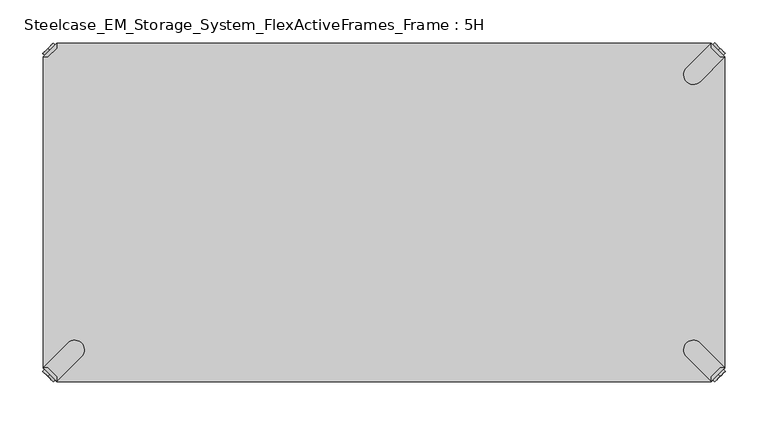
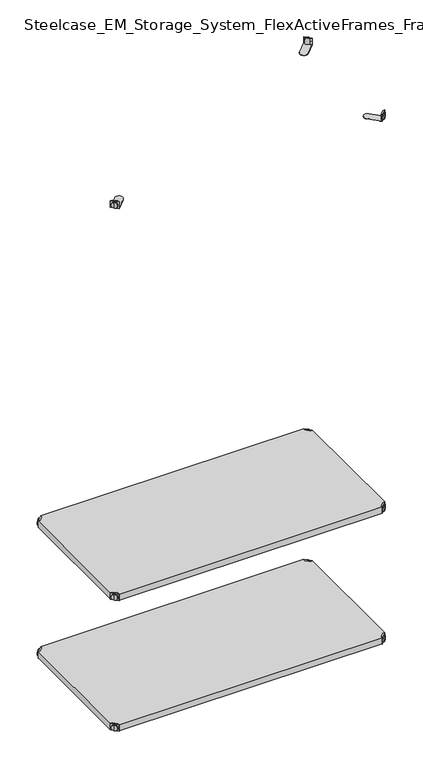
"""IFC4 building model written with IfcOpenShell, lengths in millimetres: furniture geometry, Steelcase_EM_Storage_System_FlexActiveFrames_Frame : 5H."""

from ifc_helpers import new_model, si_unit, frame, origin, place, context, project, spatial, polyline, circle_curve, outline, extrude, source, transform, mapped, element, save
from ifc_brep_helpers import plane_surface, cylinder_surface, advanced_brep


def steelcase_em_storage_system_flexactiveframes_frame_5h_55761683(model_context):
    return source(origin(), model_context, "Body", "SolidModel", [
        advanced_brep(
        [(789.0398449, -10.9601551, 498.5), (789.0398449, -10.9601551, 507.0), (789.0398449, -10.9601551, 515.5), (791.1611652, -8.8388348, 498.5), (791.1611652, -8.8388348, 515.5), (791.1611652, -8.8388348, 507.0)],
        [
            (0, 1),
            (1, 2),
            (2, 0, circle_curve(frame((789.0398449, -10.9601551, 507.0), z_axis=(-0.7071067811865556, -0.7071067811865395, 0.0), x_axis=(0.0, 0.0, 1.0)), 8.5)),
            (0, 2, circle_curve(frame((789.0398449, -10.9601551, 507.0), z_axis=(-0.7071067811865556, -0.7071067811865395, 0.0), x_axis=(0.0, 0.0, 1.0)), 8.5)),
            (3, 0),
            (2, 4),
            (4, 3, circle_curve(frame((791.1611652, -8.8388348, 507.0), z_axis=(-0.7071067811865556, -0.7071067811865395, 0.0), x_axis=(0.0, 0.0, 1.0)), 8.5)),
            (3, 4, circle_curve(frame((791.1611652, -8.8388348, 507.0), z_axis=(-0.7071067811865556, -0.7071067811865395, 0.0), x_axis=(0.0, 0.0, 1.0)), 8.5)),
            (5, 3),
            (4, 5),
        ],
        [
            plane_surface(frame((789.0398449, -10.9601551, 507.0), z_axis=(-0.7071067811865552, -0.7071067811865399, 0.0), x_axis=(0.0, 0.0, 1.0))),
            cylinder_surface(frame((791.1611652, -8.8388348, 507.0), z_axis=(0.7071067811865556, 0.7071067811865395, 0.0), x_axis=(0.0, 0.0, 1.0)), 8.5),
            plane_surface(frame((791.1611652, -8.8388348, 507.0), z_axis=(0.7071067811865552, 0.7071067811865399, 0.0), x_axis=(0.0, 0.0, 1.0))),
        ],
        [
            (0, [[1, 2, 3]]),
            (0, [[-2, -1, 4]]),
            (1, [[5, -3, 6, 7]]),
            (1, [[-6, -4, -5, 8]]),
            (2, [[9, -7, 10]]),
            (2, [[-10, -8, -9]]),
        ],
    ),
        advanced_brep(
        [(781.0796898, -3.0, 517.0), (781.0796898, -8.6568542, 517.0), (791.3431458, -18.9203102, 517.0), (797.0, -18.9203102, 517.0), (797.0, -18.9203102, 498.0), (797.0, -18.9203102, 497.0), (781.0796898, -3.0, 497.0), (781.0796898, -3.0, 498.0), (781.0796898, -8.6568542, 498.0), (791.3431458, -18.9203102, 498.0), (752.2702923, -31.8093975, 498.0), (768.1906025, -47.7297077, 498.0), (768.1906025, -47.7297077, 497.0), (752.2702923, -31.8093975, 497.0)],
        [
            (0, 1),
            (1, 2),
            (2, 3),
            (3, 0),
            (3, 4),
            (4, 5),
            (5, 6),
            (6, 7),
            (7, 0),
            (1, 8),
            (8, 9),
            (9, 2),
            (7, 8),
            (9, 4),
            (7, 10),
            (10, 11, circle_curve(frame((760.2304474, -39.7695526, 498.0), z_axis=(0.0, 0.0, 1.0), x_axis=(-1.0, 0.0, 0.0)), 11.2573593)),
            (11, 4),
            (5, 12),
            (12, 13, circle_curve(frame((760.2304474, -39.7695526, 497.0), z_axis=(0.0, 0.0, -1.0), x_axis=(-1.0, 0.0, 0.0)), 11.2573593)),
            (13, 6),
            (11, 12),
            (10, 13),
        ],
        [
            plane_surface(frame((838.8756299, -60.7959401, 517.0), z_axis=(0.0, 0.0, 1.0000000000000002), x_axis=(0.7071067811865465, -0.7071067811865487, 0.0))),
            plane_surface(frame((781.0796898, -3.0, 517.0), z_axis=(0.7071067811865487, 0.7071067811865465, 0.0), x_axis=(0.0, 0.0, -1.0))),
            plane_surface(frame((791.3431458, -18.9203102, 517.0), z_axis=(-0.7071067811865573, -0.7071067811865377, 0.0), x_axis=(0.0, 0.0, -1.0))),
            plane_surface(frame((781.0796898, -8.6568542, 517.0), z_axis=(-1.0, 0.0, 0.0), x_axis=(0.0, 0.0, -1.0))),
            plane_surface(frame((797.0, -18.9203102, 517.0), z_axis=(0.0, -1.0, 0.0), x_axis=(0.0, 0.0, -1.0))),
            plane_surface(frame((797.0, -18.9203102, 498.0), z_axis=(0.0, 0.0, 1.0), x_axis=(0.7071067811865392, -0.7071067811865558, 0.0))),
            plane_surface(frame((797.0, -18.9203102, 497.0), z_axis=(0.0, 0.0, -1.0), x_axis=(-0.7071067811865392, 0.7071067811865558, 0.0))),
            plane_surface(frame((797.0, -18.9203102, 498.0), z_axis=(0.7071067811865399, -0.7071067811865552, 0.0), x_axis=(0.0, 0.0, -1.0))),
            cylinder_surface(frame((760.2304474, -39.7695526, 497.0), z_axis=(0.0, 0.0, 1.0), x_axis=(-1.0, 0.0, 0.0)), 11.2573593),
            plane_surface(frame((752.2702923, -31.8093975, 498.0), z_axis=(-0.7071067811865388, 0.7071067811865563, 0.0), x_axis=(0.0, 0.0, -1.0))),
        ],
        [
            (0, [[1, 2, 3, 4]]),
            (1, [[5, 6, 7, 8, 9, -4]]),
            (2, [[10, 11, 12, -2]]),
            (3, [[-9, 13, -10, -1]]),
            (4, [[-12, 14, -5, -3]]),
            (5, [[-14, -11, -13, 15, 16, 17]]),
            (6, [[-7, 18, 19, 20]]),
            (7, [[21, -18, -6, -17]]),
            (8, [[22, -19, -21, -16]]),
            (9, [[-8, -20, -22, -15]]),
        ],
    ),
        advanced_brep(
        [(789.0398449, -389.0398449, 498.5), (789.0398449, -389.0398449, 515.5), (789.0398449, -389.0398449, 507.0), (791.1611652, -391.1611652, 498.5), (791.1611652, -391.1611652, 515.5), (791.1611652, -391.1611652, 507.0)],
        [
            (0, 1, circle_curve(frame((789.0398449, -389.0398449, 507.0), z_axis=(-0.7071067811865509, 0.7071067811865441, 0.0), x_axis=(0.0, 0.0, 1.0)), 8.5)),
            (1, 2),
            (2, 0),
            (1, 0, circle_curve(frame((789.0398449, -389.0398449, 507.0), z_axis=(-0.7071067811865509, 0.7071067811865441, 0.0), x_axis=(0.0, 0.0, 1.0)), 8.5)),
            (3, 4, circle_curve(frame((791.1611652, -391.1611652, 507.0), z_axis=(-0.7071067811865509, 0.7071067811865441, 0.0), x_axis=(0.0, 0.0, 1.0)), 8.5)),
            (4, 1),
            (0, 3),
            (4, 3, circle_curve(frame((791.1611652, -391.1611652, 507.0), z_axis=(-0.7071067811865509, 0.7071067811865441, 0.0), x_axis=(0.0, 0.0, 1.0)), 8.5)),
            (5, 4),
            (3, 5),
        ],
        [
            plane_surface(frame((789.0398449, -389.0398449, 507.0), z_axis=(-0.7071067811865506, 0.7071067811865446, 0.0), x_axis=(0.0, 0.0, 1.0))),
            cylinder_surface(frame((791.1611652, -391.1611652, 507.0), z_axis=(0.7071067811865509, -0.7071067811865441, 0.0), x_axis=(0.0, 0.0, 1.0)), 8.5),
            plane_surface(frame((791.1611652, -391.1611652, 507.0), z_axis=(0.7071067811865506, -0.7071067811865446, 0.0), x_axis=(0.0, 0.0, 1.0))),
        ],
        [
            (0, [[1, 2, 3]]),
            (0, [[4, -3, -2]]),
            (1, [[5, 6, -1, 7]]),
            (1, [[8, -7, -4, -6]]),
            (2, [[9, -5, 10]]),
            (2, [[-10, -8, -9]]),
        ],
    ),
        advanced_brep(
        [(781.0796898, -397.0, 517.0), (797.0, -381.0796898, 517.0), (791.3431458, -381.0796898, 517.0), (781.0796898, -391.3431458, 517.0), (781.0796898, -397.0, 498.0), (781.0796898, -397.0, 497.0), (797.0, -381.0796898, 497.0), (797.0, -381.0796898, 498.0), (791.3431458, -381.0796898, 498.0), (781.0796898, -391.3431458, 498.0), (768.1906025, -352.2702923, 498.0), (752.2702923, -368.1906025, 498.0), (752.2702923, -368.1906025, 497.0), (768.1906025, -352.2702923, 497.0)],
        [
            (0, 1),
            (1, 2),
            (2, 3),
            (3, 0),
            (0, 4),
            (4, 5),
            (5, 6),
            (6, 7),
            (7, 1),
            (2, 8),
            (8, 9),
            (9, 3),
            (9, 4),
            (7, 8),
            (7, 10),
            (10, 11, circle_curve(frame((760.2304474, -360.2304474, 498.0), z_axis=(0.0, 0.0, 1.0), x_axis=(-1.0, 0.0, 0.0)), 11.2573593)),
            (11, 4),
            (5, 12),
            (12, 13, circle_curve(frame((760.2304474, -360.2304474, 497.0), z_axis=(0.0, 0.0, -1.0), x_axis=(-1.0, 0.0, 0.0)), 11.2573593)),
            (13, 6),
            (13, 10),
            (12, 11),
        ],
        [
            plane_surface(frame((838.8756299, -339.2040599, 517.0), z_axis=(0.0, 0.0, 1.0000000000000002), x_axis=(0.7071067811865511, 0.707106781186544, 0.0))),
            plane_surface(frame((781.0796898, -397.0, 517.0), z_axis=(0.707106781186544, -0.7071067811865511, 0.0), x_axis=(0.0, 0.0, -1.0))),
            plane_surface(frame((791.3431458, -381.0796898, 517.0), z_axis=(-0.7071067811865527, 0.7071067811865424, 0.0), x_axis=(0.0, 0.0, -1.0))),
            plane_surface(frame((781.0796898, -391.3431458, 517.0), z_axis=(-1.0, 0.0, 0.0), x_axis=(0.0, 0.0, -1.0))),
            plane_surface(frame((797.0, -381.0796898, 517.0), z_axis=(0.0, 1.0, 0.0), x_axis=(0.0, 0.0, -1.0))),
            plane_surface(frame((797.0, -381.0796898, 498.0), z_axis=(0.0, 0.0, 1.0), x_axis=(0.7071067811865439, 0.7071067811865511, 0.0))),
            plane_surface(frame((797.0, -381.0796898, 497.0), z_axis=(0.0, 0.0, -1.0), x_axis=(-0.7071067811865439, -0.7071067811865511, 0.0))),
            plane_surface(frame((797.0, -381.0796898, 498.0), z_axis=(0.7071067811865446, 0.7071067811865506, 0.0), x_axis=(0.0, 0.0, -1.0))),
            cylinder_surface(frame((760.2304474, -360.2304474, 497.0), z_axis=(0.0, 0.0, 1.0), x_axis=(-1.0, 0.0, 0.0)), 11.2573593),
            plane_surface(frame((752.2702923, -368.1906025, 498.0), z_axis=(-0.7071067811865435, -0.7071067811865517, 0.0), x_axis=(0.0, 0.0, -1.0))),
        ],
        [
            (0, [[1, 2, 3, 4]]),
            (1, [[-1, 5, 6, 7, 8, 9]]),
            (2, [[-3, 10, 11, 12]]),
            (3, [[-4, -12, 13, -5]]),
            (4, [[-2, -9, 14, -10]]),
            (5, [[15, 16, 17, -13, -11, -14]]),
            (6, [[18, 19, 20, -7]]),
            (7, [[-15, -8, -20, 21]]),
            (8, [[-16, -21, -19, 22]]),
            (9, [[-17, -22, -18, -6]]),
        ],
    ),
        advanced_brep(
        [(10.9601551, -389.0398449, 498.5), (10.9601551, -389.0398449, 507.0), (10.9601551, -389.0398449, 515.5), (8.8388348, -391.1611652, 498.5), (8.8388348, -391.1611652, 515.5), (8.8388348, -391.1611652, 507.0)],
        [
            (0, 1),
            (1, 2),
            (2, 0, circle_curve(frame((10.9601551, -389.0398449, 507.0), z_axis=(0.7071067811865509, 0.7071067811865441, 0.0), x_axis=(0.0, 0.0, 1.0)), 8.5)),
            (0, 2, circle_curve(frame((10.9601551, -389.0398449, 507.0), z_axis=(0.7071067811865509, 0.7071067811865441, 0.0), x_axis=(0.0, 0.0, 1.0)), 8.5)),
            (3, 0),
            (2, 4),
            (4, 3, circle_curve(frame((8.8388348, -391.1611652, 507.0), z_axis=(0.7071067811865509, 0.7071067811865441, 0.0), x_axis=(0.0, 0.0, 1.0)), 8.5)),
            (3, 4, circle_curve(frame((8.8388348, -391.1611652, 507.0), z_axis=(0.7071067811865509, 0.7071067811865441, 0.0), x_axis=(0.0, 0.0, 1.0)), 8.5)),
            (5, 3),
            (4, 5),
        ],
        [
            plane_surface(frame((10.9601551, -389.0398449, 507.0), z_axis=(0.7071067811865506, 0.7071067811865446, 0.0), x_axis=(0.0, 0.0, 1.0))),
            cylinder_surface(frame((8.8388348, -391.1611652, 507.0), z_axis=(-0.7071067811865509, -0.7071067811865441, 0.0), x_axis=(0.0, 0.0, 1.0)), 8.5),
            plane_surface(frame((8.8388348, -391.1611652, 507.0), z_axis=(-0.7071067811865506, -0.7071067811865446, 0.0), x_axis=(0.0, 0.0, 1.0))),
        ],
        [
            (0, [[1, 2, 3]]),
            (0, [[-2, -1, 4]]),
            (1, [[5, -3, 6, 7]]),
            (1, [[-6, -4, -5, 8]]),
            (2, [[9, -7, 10]]),
            (2, [[-10, -8, -9]]),
        ],
    ),
        advanced_brep(
        [(18.9203102, -397.0, 517.0), (18.9203102, -391.3431458, 517.0), (8.6568542, -381.0796898, 517.0), (3.0, -381.0796898, 517.0), (3.0, -381.0796898, 498.0), (3.0, -381.0796898, 497.0), (18.9203102, -397.0, 497.0), (18.9203102, -397.0, 498.0), (18.9203102, -391.3431458, 498.0), (8.6568542, -381.0796898, 498.0), (47.7297077, -368.1906025, 498.0), (31.8093975, -352.2702923, 498.0), (31.8093975, -352.2702923, 497.0), (47.7297077, -368.1906025, 497.0)],
        [
            (0, 1),
            (1, 2),
            (2, 3),
            (3, 0),
            (3, 4),
            (4, 5),
            (5, 6),
            (6, 7),
            (7, 0),
            (1, 8),
            (8, 9),
            (9, 2),
            (7, 8),
            (9, 4),
            (7, 10),
            (10, 11, circle_curve(frame((39.7695526, -360.2304474, 498.0), z_axis=(0.0, 0.0, 1.0), x_axis=(1.0, 0.0, 0.0)), 11.2573593)),
            (11, 4),
            (5, 12),
            (12, 13, circle_curve(frame((39.7695526, -360.2304474, 497.0), z_axis=(0.0, 0.0, -1.0), x_axis=(1.0, 0.0, 0.0)), 11.2573593)),
            (13, 6),
            (11, 12),
            (10, 13),
        ],
        [
            plane_surface(frame((-38.8756299, -339.2040599, 517.0), z_axis=(0.0, 0.0, 1.0000000000000002), x_axis=(-0.7071067811865511, 0.707106781186544, 0.0))),
            plane_surface(frame((18.9203102, -397.0, 517.0), z_axis=(-0.707106781186544, -0.7071067811865511, 0.0), x_axis=(0.0, 0.0, -1.0))),
            plane_surface(frame((8.6568542, -381.0796898, 517.0), z_axis=(0.7071067811865527, 0.7071067811865424, 0.0), x_axis=(0.0, 0.0, -1.0))),
            plane_surface(frame((18.9203102, -391.3431458, 517.0), z_axis=(1.0, 0.0, 0.0), x_axis=(0.0, 0.0, -1.0))),
            plane_surface(frame((3.0, -381.0796898, 517.0), z_axis=(0.0, 1.0, 0.0), x_axis=(0.0, 0.0, -1.0))),
            plane_surface(frame((3.0, -381.0796898, 498.0), z_axis=(0.0, 0.0, 1.0), x_axis=(-0.7071067811865439, 0.7071067811865511, 0.0))),
            plane_surface(frame((3.0, -381.0796898, 497.0), z_axis=(0.0, 0.0, -1.0), x_axis=(0.7071067811865439, -0.7071067811865511, 0.0))),
            plane_surface(frame((3.0, -381.0796898, 498.0), z_axis=(-0.7071067811865446, 0.7071067811865506, 0.0), x_axis=(0.0, 0.0, -1.0))),
            cylinder_surface(frame((39.7695526, -360.2304474, 497.0), z_axis=(0.0, 0.0, 1.0), x_axis=(1.0, 0.0, 0.0)), 11.2573593),
            plane_surface(frame((47.7297077, -368.1906025, 498.0), z_axis=(0.7071067811865435, -0.7071067811865517, 0.0), x_axis=(0.0, 0.0, -1.0))),
        ],
        [
            (0, [[1, 2, 3, 4]]),
            (1, [[5, 6, 7, 8, 9, -4]]),
            (2, [[10, 11, 12, -2]]),
            (3, [[-9, 13, -10, -1]]),
            (4, [[-12, 14, -5, -3]]),
            (5, [[-14, -11, -13, 15, 16, 17]]),
            (6, [[-7, 18, 19, 20]]),
            (7, [[21, -18, -6, -17]]),
            (8, [[22, -19, -21, -16]]),
            (9, [[-8, -20, -22, -15]]),
        ],
    ),
        advanced_brep(
        [(10.9601551, -10.9601551, 498.5), (10.9601551, -10.9601551, 515.5), (10.9601551, -10.9601551, 507.0), (8.8388348, -8.8388348, 498.5), (8.8388348, -8.8388348, 515.5), (8.8388348, -8.8388348, 507.0)],
        [
            (0, 1, circle_curve(frame((10.9601551, -10.9601551, 507.0), z_axis=(0.7071067811865464, -0.7071067811865487, 0.0), x_axis=(0.0, 0.0, 1.0)), 8.5)),
            (1, 2),
            (2, 0),
            (1, 0, circle_curve(frame((10.9601551, -10.9601551, 507.0), z_axis=(0.7071067811865464, -0.7071067811865487, 0.0), x_axis=(0.0, 0.0, 1.0)), 8.5)),
            (3, 4, circle_curve(frame((8.8388348, -8.8388348, 507.0), z_axis=(0.7071067811865464, -0.7071067811865487, 0.0), x_axis=(0.0, 0.0, 1.0)), 8.5)),
            (4, 1),
            (0, 3),
            (4, 3, circle_curve(frame((8.8388348, -8.8388348, 507.0), z_axis=(0.7071067811865464, -0.7071067811865487, 0.0), x_axis=(0.0, 0.0, 1.0)), 8.5)),
            (5, 4),
            (3, 5),
        ],
        [
            plane_surface(frame((10.9601551, -10.9601551, 507.0), z_axis=(0.707106781186546, -0.7071067811865491, 0.0), x_axis=(0.0, 0.0, 1.0))),
            cylinder_surface(frame((8.8388348, -8.8388348, 507.0), z_axis=(-0.7071067811865464, 0.7071067811865487, 0.0), x_axis=(0.0, 0.0, 1.0)), 8.5),
            plane_surface(frame((8.8388348, -8.8388348, 507.0), z_axis=(-0.707106781186546, 0.7071067811865491, 0.0), x_axis=(0.0, 0.0, 1.0))),
        ],
        [
            (0, [[1, 2, 3]]),
            (0, [[4, -3, -2]]),
            (1, [[5, 6, -1, 7]]),
            (1, [[8, -7, -4, -6]]),
            (2, [[9, -5, 10]]),
            (2, [[-10, -8, -9]]),
        ],
    ),
        advanced_brep(
        [(18.9203102, -3.0, 517.0), (3.0, -18.9203102, 517.0), (8.6568542, -18.9203102, 517.0), (18.9203102, -8.6568542, 517.0), (18.9203102, -3.0, 498.0), (18.9203102, -3.0, 497.0), (3.0, -18.9203102, 497.0), (3.0, -18.9203102, 498.0), (8.6568542, -18.9203102, 498.0), (18.9203102, -8.6568542, 498.0), (31.8093975, -47.7297077, 498.0), (47.7297077, -31.8093975, 498.0), (47.7297077, -31.8093975, 497.0), (31.8093975, -47.7297077, 497.0)],
        [
            (0, 1),
            (1, 2),
            (2, 3),
            (3, 0),
            (0, 4),
            (4, 5),
            (5, 6),
            (6, 7),
            (7, 1),
            (2, 8),
            (8, 9),
            (9, 3),
            (9, 4),
            (7, 8),
            (7, 10),
            (10, 11, circle_curve(frame((39.7695526, -39.7695526, 498.0), z_axis=(0.0, 0.0, 1.0), x_axis=(1.0, 0.0, 0.0)), 11.2573593)),
            (11, 4),
            (5, 12),
            (12, 13, circle_curve(frame((39.7695526, -39.7695526, 497.0), z_axis=(0.0, 0.0, -1.0), x_axis=(1.0, 0.0, 0.0)), 11.2573593)),
            (13, 6),
            (13, 10),
            (12, 11),
        ],
        [
            plane_surface(frame((-38.8756299, -60.7959401, 517.0), z_axis=(0.0, 0.0, 1.0000000000000002), x_axis=(-0.7071067811865557, -0.7071067811865395, 0.0))),
            plane_surface(frame((18.9203102, -3.0, 517.0), z_axis=(-0.7071067811865395, 0.7071067811865557, 0.0), x_axis=(0.0, 0.0, -1.0))),
            plane_surface(frame((8.6568542, -18.9203102, 517.0), z_axis=(0.7071067811865481, -0.7071067811865469, 0.0), x_axis=(0.0, 0.0, -1.0))),
            plane_surface(frame((18.9203102, -8.6568542, 517.0), z_axis=(1.0, 0.0, 0.0), x_axis=(0.0, 0.0, -1.0))),
            plane_surface(frame((3.0, -18.9203102, 517.0), z_axis=(0.0, -1.0, 0.0), x_axis=(0.0, 0.0, -1.0))),
            plane_surface(frame((3.0, -18.9203102, 498.0), z_axis=(0.0, 0.0, 1.0), x_axis=(-0.7071067811865485, -0.7071067811865466, 0.0))),
            plane_surface(frame((3.0, -18.9203102, 497.0), z_axis=(0.0, 0.0, -1.0), x_axis=(0.7071067811865485, 0.7071067811865466, 0.0))),
            plane_surface(frame((3.0, -18.9203102, 498.0), z_axis=(-0.7071067811865491, -0.707106781186546, 0.0), x_axis=(0.0, 0.0, -1.0))),
            cylinder_surface(frame((39.7695526, -39.7695526, 497.0), z_axis=(0.0, 0.0, 1.0), x_axis=(1.0, 0.0, 0.0)), 11.2573593),
            plane_surface(frame((47.7297077, -31.8093975, 498.0), z_axis=(0.707106781186548, 0.7071067811865471, 0.0), x_axis=(0.0, 0.0, -1.0))),
        ],
        [
            (0, [[1, 2, 3, 4]]),
            (1, [[-1, 5, 6, 7, 8, 9]]),
            (2, [[-3, 10, 11, 12]]),
            (3, [[-4, -12, 13, -5]]),
            (4, [[-2, -9, 14, -10]]),
            (5, [[15, 16, 17, -13, -11, -14]]),
            (6, [[18, 19, 20, -7]]),
            (7, [[-15, -8, -20, 21]]),
            (8, [[-16, -21, -19, 22]]),
            (9, [[-17, -22, -18, -6]]),
        ],
    ),
        extrude(outline(polyline([(781.0796898, -3.0), (781.0796898, -8.6568542), (791.3431458, -18.9203102), (797.0, -18.9203102), (797.0, -381.0796898), (791.3431458, -381.0796898), (781.0796898, -391.3431458), (781.0796898, -397.0), (18.9203102, -397.0), (18.9203102, -391.3431458), (8.6568542, -381.0796898), (3.0, -381.0796898), (3.0, -18.9203102), (8.6568542, -18.9203102), (18.9203102, -8.6568542), (18.9203102, -3.0), (781.0796898, -3.0)])), frame((0.0, 0.0, 498.0), z_axis=(0.0, 0.0, 1.0), x_axis=(1.0, 0.0, 0.0)), (0.0, 0.0, 1.0), 19.0),
        advanced_brep(
        [(789.0398449, -10.9601551, 898.5), (789.0398449, -10.9601551, 907.0), (789.0398449, -10.9601551, 915.5), (791.1611652, -8.8388348, 898.5), (791.1611652, -8.8388348, 915.5), (791.1611652, -8.8388348, 907.0)],
        [
            (0, 1),
            (1, 2),
            (2, 0, circle_curve(frame((789.0398449, -10.9601551, 907.0), z_axis=(-0.7071067811865556, -0.7071067811865395, 0.0), x_axis=(0.0, 0.0, 1.0)), 8.5)),
            (0, 2, circle_curve(frame((789.0398449, -10.9601551, 907.0), z_axis=(-0.7071067811865556, -0.7071067811865395, 0.0), x_axis=(0.0, 0.0, 1.0)), 8.5)),
            (3, 0),
            (2, 4),
            (4, 3, circle_curve(frame((791.1611652, -8.8388348, 907.0), z_axis=(-0.7071067811865556, -0.7071067811865395, 0.0), x_axis=(0.0, 0.0, 1.0)), 8.5)),
            (3, 4, circle_curve(frame((791.1611652, -8.8388348, 907.0), z_axis=(-0.7071067811865556, -0.7071067811865395, 0.0), x_axis=(0.0, 0.0, 1.0)), 8.5)),
            (5, 3),
            (4, 5),
        ],
        [
            plane_surface(frame((789.0398449, -10.9601551, 907.0), z_axis=(-0.7071067811865552, -0.7071067811865399, 0.0), x_axis=(0.0, 0.0, 1.0))),
            cylinder_surface(frame((791.1611652, -8.8388348, 907.0), z_axis=(0.7071067811865556, 0.7071067811865395, 0.0), x_axis=(0.0, 0.0, 1.0)), 8.5),
            plane_surface(frame((791.1611652, -8.8388348, 907.0), z_axis=(0.7071067811865552, 0.7071067811865399, 0.0), x_axis=(0.0, 0.0, 1.0))),
        ],
        [
            (0, [[1, 2, 3]]),
            (0, [[-2, -1, 4]]),
            (1, [[5, -3, 6, 7]]),
            (1, [[-6, -4, -5, 8]]),
            (2, [[9, -7, 10]]),
            (2, [[-10, -8, -9]]),
        ],
    ),
        advanced_brep(
        [(781.0796898, -3.0, 917.0), (781.0796898, -8.6568542, 917.0), (791.3431458, -18.9203102, 917.0), (797.0, -18.9203102, 917.0), (797.0, -18.9203102, 898.0), (797.0, -18.9203102, 897.0), (781.0796898, -3.0, 897.0), (781.0796898, -3.0, 898.0), (781.0796898, -8.6568542, 898.0), (791.3431458, -18.9203102, 898.0), (752.2702923, -31.8093975, 898.0), (768.1906025, -47.7297077, 898.0), (768.1906025, -47.7297077, 897.0), (752.2702923, -31.8093975, 897.0)],
        [
            (0, 1),
            (1, 2),
            (2, 3),
            (3, 0),
            (3, 4),
            (4, 5),
            (5, 6),
            (6, 7),
            (7, 0),
            (1, 8),
            (8, 9),
            (9, 2),
            (7, 8),
            (9, 4),
            (7, 10),
            (10, 11, circle_curve(frame((760.2304474, -39.7695526, 898.0), z_axis=(0.0, 0.0, 1.0), x_axis=(-1.0, 0.0, 0.0)), 11.2573593)),
            (11, 4),
            (5, 12),
            (12, 13, circle_curve(frame((760.2304474, -39.7695526, 897.0), z_axis=(0.0, 0.0, -1.0), x_axis=(-1.0, 0.0, 0.0)), 11.2573593)),
            (13, 6),
            (11, 12),
            (10, 13),
        ],
        [
            plane_surface(frame((838.8756299, -60.7959401, 917.0), z_axis=(0.0, 0.0, 1.0000000000000002), x_axis=(0.7071067811865465, -0.7071067811865487, 0.0))),
            plane_surface(frame((781.0796898, -3.0, 917.0), z_axis=(0.7071067811865487, 0.7071067811865465, 0.0), x_axis=(0.0, 0.0, -1.0))),
            plane_surface(frame((791.3431458, -18.9203102, 917.0), z_axis=(-0.7071067811865573, -0.7071067811865377, 0.0), x_axis=(0.0, 0.0, -1.0))),
            plane_surface(frame((781.0796898, -8.6568542, 917.0), z_axis=(-1.0, 0.0, 0.0), x_axis=(0.0, 0.0, -1.0))),
            plane_surface(frame((797.0, -18.9203102, 917.0), z_axis=(0.0, -1.0, 0.0), x_axis=(0.0, 0.0, -1.0))),
            plane_surface(frame((797.0, -18.9203102, 898.0), z_axis=(0.0, 0.0, 1.0), x_axis=(0.7071067811865392, -0.7071067811865558, 0.0))),
            plane_surface(frame((797.0, -18.9203102, 897.0), z_axis=(0.0, 0.0, -1.0), x_axis=(-0.7071067811865392, 0.7071067811865558, 0.0))),
            plane_surface(frame((797.0, -18.9203102, 898.0), z_axis=(0.7071067811865399, -0.7071067811865552, 0.0), x_axis=(0.0, 0.0, -1.0))),
            cylinder_surface(frame((760.2304474, -39.7695526, 897.0), z_axis=(0.0, 0.0, 1.0), x_axis=(-1.0, 0.0, 0.0)), 11.2573593),
            plane_surface(frame((752.2702923, -31.8093975, 898.0), z_axis=(-0.7071067811865388, 0.7071067811865563, 0.0), x_axis=(0.0, 0.0, -1.0))),
        ],
        [
            (0, [[1, 2, 3, 4]]),
            (1, [[5, 6, 7, 8, 9, -4]]),
            (2, [[10, 11, 12, -2]]),
            (3, [[-9, 13, -10, -1]]),
            (4, [[-12, 14, -5, -3]]),
            (5, [[-14, -11, -13, 15, 16, 17]]),
            (6, [[-7, 18, 19, 20]]),
            (7, [[21, -18, -6, -17]]),
            (8, [[22, -19, -21, -16]]),
            (9, [[-8, -20, -22, -15]]),
        ],
    ),
        advanced_brep(
        [(789.0398449, -389.0398449, 898.5), (789.0398449, -389.0398449, 915.5), (789.0398449, -389.0398449, 907.0), (791.1611652, -391.1611652, 898.5), (791.1611652, -391.1611652, 915.5), (791.1611652, -391.1611652, 907.0)],
        [
            (0, 1, circle_curve(frame((789.0398449, -389.0398449, 907.0), z_axis=(-0.7071067811865509, 0.7071067811865441, 0.0), x_axis=(0.0, 0.0, 1.0)), 8.5)),
            (1, 2),
            (2, 0),
            (1, 0, circle_curve(frame((789.0398449, -389.0398449, 907.0), z_axis=(-0.7071067811865509, 0.7071067811865441, 0.0), x_axis=(0.0, 0.0, 1.0)), 8.5)),
            (3, 4, circle_curve(frame((791.1611652, -391.1611652, 907.0), z_axis=(-0.7071067811865509, 0.7071067811865441, 0.0), x_axis=(0.0, 0.0, 1.0)), 8.5)),
            (4, 1),
            (0, 3),
            (4, 3, circle_curve(frame((791.1611652, -391.1611652, 907.0), z_axis=(-0.7071067811865509, 0.7071067811865441, 0.0), x_axis=(0.0, 0.0, 1.0)), 8.5)),
            (5, 4),
            (3, 5),
        ],
        [
            plane_surface(frame((789.0398449, -389.0398449, 907.0), z_axis=(-0.7071067811865506, 0.7071067811865446, 0.0), x_axis=(0.0, 0.0, 1.0))),
            cylinder_surface(frame((791.1611652, -391.1611652, 907.0), z_axis=(0.7071067811865509, -0.7071067811865441, 0.0), x_axis=(0.0, 0.0, 1.0)), 8.5),
            plane_surface(frame((791.1611652, -391.1611652, 907.0), z_axis=(0.7071067811865506, -0.7071067811865446, 0.0), x_axis=(0.0, 0.0, 1.0))),
        ],
        [
            (0, [[1, 2, 3]]),
            (0, [[4, -3, -2]]),
            (1, [[5, 6, -1, 7]]),
            (1, [[8, -7, -4, -6]]),
            (2, [[9, -5, 10]]),
            (2, [[-10, -8, -9]]),
        ],
    ),
        advanced_brep(
        [(781.0796898, -397.0, 917.0), (797.0, -381.0796898, 917.0), (791.3431458, -381.0796898, 917.0), (781.0796898, -391.3431458, 917.0), (781.0796898, -397.0, 898.0), (781.0796898, -397.0, 897.0), (797.0, -381.0796898, 897.0), (797.0, -381.0796898, 898.0), (791.3431458, -381.0796898, 898.0), (781.0796898, -391.3431458, 898.0), (768.1906025, -352.2702923, 898.0), (752.2702923, -368.1906025, 898.0), (752.2702923, -368.1906025, 897.0), (768.1906025, -352.2702923, 897.0)],
        [
            (0, 1),
            (1, 2),
            (2, 3),
            (3, 0),
            (0, 4),
            (4, 5),
            (5, 6),
            (6, 7),
            (7, 1),
            (2, 8),
            (8, 9),
            (9, 3),
            (9, 4),
            (7, 8),
            (7, 10),
            (10, 11, circle_curve(frame((760.2304474, -360.2304474, 898.0), z_axis=(0.0, 0.0, 1.0), x_axis=(-1.0, 0.0, 0.0)), 11.2573593)),
            (11, 4),
            (5, 12),
            (12, 13, circle_curve(frame((760.2304474, -360.2304474, 897.0), z_axis=(0.0, 0.0, -1.0), x_axis=(-1.0, 0.0, 0.0)), 11.2573593)),
            (13, 6),
            (13, 10),
            (12, 11),
        ],
        [
            plane_surface(frame((838.8756299, -339.2040599, 917.0), z_axis=(0.0, 0.0, 1.0000000000000002), x_axis=(0.7071067811865511, 0.707106781186544, 0.0))),
            plane_surface(frame((781.0796898, -397.0, 917.0), z_axis=(0.707106781186544, -0.7071067811865511, 0.0), x_axis=(0.0, 0.0, -1.0))),
            plane_surface(frame((791.3431458, -381.0796898, 917.0), z_axis=(-0.7071067811865527, 0.7071067811865424, 0.0), x_axis=(0.0, 0.0, -1.0))),
            plane_surface(frame((781.0796898, -391.3431458, 917.0), z_axis=(-1.0, 0.0, 0.0), x_axis=(0.0, 0.0, -1.0))),
            plane_surface(frame((797.0, -381.0796898, 917.0), z_axis=(0.0, 1.0, 0.0), x_axis=(0.0, 0.0, -1.0))),
            plane_surface(frame((797.0, -381.0796898, 898.0), z_axis=(0.0, 0.0, 1.0), x_axis=(0.7071067811865439, 0.7071067811865511, 0.0))),
            plane_surface(frame((797.0, -381.0796898, 897.0), z_axis=(0.0, 0.0, -1.0), x_axis=(-0.7071067811865439, -0.7071067811865511, 0.0))),
            plane_surface(frame((797.0, -381.0796898, 898.0), z_axis=(0.7071067811865446, 0.7071067811865506, 0.0), x_axis=(0.0, 0.0, -1.0))),
            cylinder_surface(frame((760.2304474, -360.2304474, 897.0), z_axis=(0.0, 0.0, 1.0), x_axis=(-1.0, 0.0, 0.0)), 11.2573593),
            plane_surface(frame((752.2702923, -368.1906025, 898.0), z_axis=(-0.7071067811865435, -0.7071067811865517, 0.0), x_axis=(0.0, 0.0, -1.0))),
        ],
        [
            (0, [[1, 2, 3, 4]]),
            (1, [[-1, 5, 6, 7, 8, 9]]),
            (2, [[-3, 10, 11, 12]]),
            (3, [[-4, -12, 13, -5]]),
            (4, [[-2, -9, 14, -10]]),
            (5, [[15, 16, 17, -13, -11, -14]]),
            (6, [[18, 19, 20, -7]]),
            (7, [[-15, -8, -20, 21]]),
            (8, [[-16, -21, -19, 22]]),
            (9, [[-17, -22, -18, -6]]),
        ],
    ),
        advanced_brep(
        [(10.9601551, -389.0398449, 898.5), (10.9601551, -389.0398449, 907.0), (10.9601551, -389.0398449, 915.5), (8.8388348, -391.1611652, 898.5), (8.8388348, -391.1611652, 915.5), (8.8388348, -391.1611652, 907.0)],
        [
            (0, 1),
            (1, 2),
            (2, 0, circle_curve(frame((10.9601551, -389.0398449, 907.0), z_axis=(0.7071067811865509, 0.7071067811865441, 0.0), x_axis=(0.0, 0.0, 1.0)), 8.5)),
            (0, 2, circle_curve(frame((10.9601551, -389.0398449, 907.0), z_axis=(0.7071067811865509, 0.7071067811865441, 0.0), x_axis=(0.0, 0.0, 1.0)), 8.5)),
            (3, 0),
            (2, 4),
            (4, 3, circle_curve(frame((8.8388348, -391.1611652, 907.0), z_axis=(0.7071067811865509, 0.7071067811865441, 0.0), x_axis=(0.0, 0.0, 1.0)), 8.5)),
            (3, 4, circle_curve(frame((8.8388348, -391.1611652, 907.0), z_axis=(0.7071067811865509, 0.7071067811865441, 0.0), x_axis=(0.0, 0.0, 1.0)), 8.5)),
            (5, 3),
            (4, 5),
        ],
        [
            plane_surface(frame((10.9601551, -389.0398449, 907.0), z_axis=(0.7071067811865506, 0.7071067811865446, 0.0), x_axis=(0.0, 0.0, 1.0))),
            cylinder_surface(frame((8.8388348, -391.1611652, 907.0), z_axis=(-0.7071067811865509, -0.7071067811865441, 0.0), x_axis=(0.0, 0.0, 1.0)), 8.5),
            plane_surface(frame((8.8388348, -391.1611652, 907.0), z_axis=(-0.7071067811865506, -0.7071067811865446, 0.0), x_axis=(0.0, 0.0, 1.0))),
        ],
        [
            (0, [[1, 2, 3]]),
            (0, [[-2, -1, 4]]),
            (1, [[5, -3, 6, 7]]),
            (1, [[-6, -4, -5, 8]]),
            (2, [[9, -7, 10]]),
            (2, [[-10, -8, -9]]),
        ],
    ),
        advanced_brep(
        [(18.9203102, -397.0, 917.0), (18.9203102, -391.3431458, 917.0), (8.6568542, -381.0796898, 917.0), (3.0, -381.0796898, 917.0), (3.0, -381.0796898, 898.0), (3.0, -381.0796898, 897.0), (18.9203102, -397.0, 897.0), (18.9203102, -397.0, 898.0), (18.9203102, -391.3431458, 898.0), (8.6568542, -381.0796898, 898.0), (47.7297077, -368.1906025, 898.0), (31.8093975, -352.2702923, 898.0), (31.8093975, -352.2702923, 897.0), (47.7297077, -368.1906025, 897.0)],
        [
            (0, 1),
            (1, 2),
            (2, 3),
            (3, 0),
            (3, 4),
            (4, 5),
            (5, 6),
            (6, 7),
            (7, 0),
            (1, 8),
            (8, 9),
            (9, 2),
            (7, 8),
            (9, 4),
            (7, 10),
            (10, 11, circle_curve(frame((39.7695526, -360.2304474, 898.0), z_axis=(0.0, 0.0, 1.0), x_axis=(1.0, 0.0, 0.0)), 11.2573593)),
            (11, 4),
            (5, 12),
            (12, 13, circle_curve(frame((39.7695526, -360.2304474, 897.0), z_axis=(0.0, 0.0, -1.0), x_axis=(1.0, 0.0, 0.0)), 11.2573593)),
            (13, 6),
            (11, 12),
            (10, 13),
        ],
        [
            plane_surface(frame((-38.8756299, -339.2040599, 917.0), z_axis=(0.0, 0.0, 1.0000000000000002), x_axis=(-0.7071067811865511, 0.707106781186544, 0.0))),
            plane_surface(frame((18.9203102, -397.0, 917.0), z_axis=(-0.707106781186544, -0.7071067811865511, 0.0), x_axis=(0.0, 0.0, -1.0))),
            plane_surface(frame((8.6568542, -381.0796898, 917.0), z_axis=(0.7071067811865527, 0.7071067811865424, 0.0), x_axis=(0.0, 0.0, -1.0))),
            plane_surface(frame((18.9203102, -391.3431458, 917.0), z_axis=(1.0, 0.0, 0.0), x_axis=(0.0, 0.0, -1.0))),
            plane_surface(frame((3.0, -381.0796898, 917.0), z_axis=(0.0, 1.0, 0.0), x_axis=(0.0, 0.0, -1.0))),
            plane_surface(frame((3.0, -381.0796898, 898.0), z_axis=(0.0, 0.0, 1.0), x_axis=(-0.7071067811865439, 0.7071067811865511, 0.0))),
            plane_surface(frame((3.0, -381.0796898, 897.0), z_axis=(0.0, 0.0, -1.0), x_axis=(0.7071067811865439, -0.7071067811865511, 0.0))),
            plane_surface(frame((3.0, -381.0796898, 898.0), z_axis=(-0.7071067811865446, 0.7071067811865506, 0.0), x_axis=(0.0, 0.0, -1.0))),
            cylinder_surface(frame((39.7695526, -360.2304474, 897.0), z_axis=(0.0, 0.0, 1.0), x_axis=(1.0, 0.0, 0.0)), 11.2573593),
            plane_surface(frame((47.7297077, -368.1906025, 898.0), z_axis=(0.7071067811865435, -0.7071067811865517, 0.0), x_axis=(0.0, 0.0, -1.0))),
        ],
        [
            (0, [[1, 2, 3, 4]]),
            (1, [[5, 6, 7, 8, 9, -4]]),
            (2, [[10, 11, 12, -2]]),
            (3, [[-9, 13, -10, -1]]),
            (4, [[-12, 14, -5, -3]]),
            (5, [[-14, -11, -13, 15, 16, 17]]),
            (6, [[-7, 18, 19, 20]]),
            (7, [[21, -18, -6, -17]]),
            (8, [[22, -19, -21, -16]]),
            (9, [[-8, -20, -22, -15]]),
        ],
    ),
        advanced_brep(
        [(10.9601551, -10.9601551, 898.5), (10.9601551, -10.9601551, 915.5), (10.9601551, -10.9601551, 907.0), (8.8388348, -8.8388348, 898.5), (8.8388348, -8.8388348, 915.5), (8.8388348, -8.8388348, 907.0)],
        [
            (0, 1, circle_curve(frame((10.9601551, -10.9601551, 907.0), z_axis=(0.7071067811865464, -0.7071067811865487, 0.0), x_axis=(0.0, 0.0, 1.0)), 8.5)),
            (1, 2),
            (2, 0),
            (1, 0, circle_curve(frame((10.9601551, -10.9601551, 907.0), z_axis=(0.7071067811865464, -0.7071067811865487, 0.0), x_axis=(0.0, 0.0, 1.0)), 8.5)),
            (3, 4, circle_curve(frame((8.8388348, -8.8388348, 907.0), z_axis=(0.7071067811865464, -0.7071067811865487, 0.0), x_axis=(0.0, 0.0, 1.0)), 8.5)),
            (4, 1),
            (0, 3),
            (4, 3, circle_curve(frame((8.8388348, -8.8388348, 907.0), z_axis=(0.7071067811865464, -0.7071067811865487, 0.0), x_axis=(0.0, 0.0, 1.0)), 8.5)),
            (5, 4),
            (3, 5),
        ],
        [
            plane_surface(frame((10.9601551, -10.9601551, 907.0), z_axis=(0.707106781186546, -0.7071067811865491, 0.0), x_axis=(0.0, 0.0, 1.0))),
            cylinder_surface(frame((8.8388348, -8.8388348, 907.0), z_axis=(-0.7071067811865464, 0.7071067811865487, 0.0), x_axis=(0.0, 0.0, 1.0)), 8.5),
            plane_surface(frame((8.8388348, -8.8388348, 907.0), z_axis=(-0.707106781186546, 0.7071067811865491, 0.0), x_axis=(0.0, 0.0, 1.0))),
        ],
        [
            (0, [[1, 2, 3]]),
            (0, [[4, -3, -2]]),
            (1, [[5, 6, -1, 7]]),
            (1, [[8, -7, -4, -6]]),
            (2, [[9, -5, 10]]),
            (2, [[-10, -8, -9]]),
        ],
    ),
        advanced_brep(
        [(18.9203102, -3.0, 917.0), (3.0, -18.9203102, 917.0), (8.6568542, -18.9203102, 917.0), (18.9203102, -8.6568542, 917.0), (18.9203102, -3.0, 898.0), (18.9203102, -3.0, 897.0), (3.0, -18.9203102, 897.0), (3.0, -18.9203102, 898.0), (8.6568542, -18.9203102, 898.0), (18.9203102, -8.6568542, 898.0), (31.8093975, -47.7297077, 898.0), (47.7297077, -31.8093975, 898.0), (47.7297077, -31.8093975, 897.0), (31.8093975, -47.7297077, 897.0)],
        [
            (0, 1),
            (1, 2),
            (2, 3),
            (3, 0),
            (0, 4),
            (4, 5),
            (5, 6),
            (6, 7),
            (7, 1),
            (2, 8),
            (8, 9),
            (9, 3),
            (9, 4),
            (7, 8),
            (7, 10),
            (10, 11, circle_curve(frame((39.7695526, -39.7695526, 898.0), z_axis=(0.0, 0.0, 1.0), x_axis=(1.0, 0.0, 0.0)), 11.2573593)),
            (11, 4),
            (5, 12),
            (12, 13, circle_curve(frame((39.7695526, -39.7695526, 897.0), z_axis=(0.0, 0.0, -1.0), x_axis=(1.0, 0.0, 0.0)), 11.2573593)),
            (13, 6),
            (13, 10),
            (12, 11),
        ],
        [
            plane_surface(frame((-38.8756299, -60.7959401, 917.0), z_axis=(0.0, 0.0, 1.0000000000000002), x_axis=(-0.7071067811865557, -0.7071067811865395, 0.0))),
            plane_surface(frame((18.9203102, -3.0, 917.0), z_axis=(-0.7071067811865395, 0.7071067811865557, 0.0), x_axis=(0.0, 0.0, -1.0))),
            plane_surface(frame((8.6568542, -18.9203102, 917.0), z_axis=(0.7071067811865481, -0.7071067811865469, 0.0), x_axis=(0.0, 0.0, -1.0))),
            plane_surface(frame((18.9203102, -8.6568542, 917.0), z_axis=(1.0, 0.0, 0.0), x_axis=(0.0, 0.0, -1.0))),
            plane_surface(frame((3.0, -18.9203102, 917.0), z_axis=(0.0, -1.0, 0.0), x_axis=(0.0, 0.0, -1.0))),
            plane_surface(frame((3.0, -18.9203102, 898.0), z_axis=(0.0, 0.0, 1.0), x_axis=(-0.7071067811865485, -0.7071067811865466, 0.0))),
            plane_surface(frame((3.0, -18.9203102, 897.0), z_axis=(0.0, 0.0, -1.0), x_axis=(0.7071067811865485, 0.7071067811865466, 0.0))),
            plane_surface(frame((3.0, -18.9203102, 898.0), z_axis=(-0.7071067811865491, -0.707106781186546, 0.0), x_axis=(0.0, 0.0, -1.0))),
            cylinder_surface(frame((39.7695526, -39.7695526, 897.0), z_axis=(0.0, 0.0, 1.0), x_axis=(1.0, 0.0, 0.0)), 11.2573593),
            plane_surface(frame((47.7297077, -31.8093975, 898.0), z_axis=(0.707106781186548, 0.7071067811865471, 0.0), x_axis=(0.0, 0.0, -1.0))),
        ],
        [
            (0, [[1, 2, 3, 4]]),
            (1, [[-1, 5, 6, 7, 8, 9]]),
            (2, [[-3, 10, 11, 12]]),
            (3, [[-4, -12, 13, -5]]),
            (4, [[-2, -9, 14, -10]]),
            (5, [[15, 16, 17, -13, -11, -14]]),
            (6, [[18, 19, 20, -7]]),
            (7, [[-15, -8, -20, 21]]),
            (8, [[-16, -21, -19, 22]]),
            (9, [[-17, -22, -18, -6]]),
        ],
    ),
        extrude(outline(polyline([(781.0796898, -3.0), (781.0796898, -8.6568542), (791.3431458, -18.9203102), (797.0, -18.9203102), (797.0, -381.0796898), (791.3431458, -381.0796898), (781.0796898, -391.3431458), (781.0796898, -397.0), (18.9203102, -397.0), (18.9203102, -391.3431458), (8.6568542, -381.0796898), (3.0, -381.0796898), (3.0, -18.9203102), (8.6568542, -18.9203102), (18.9203102, -8.6568542), (18.9203102, -3.0), (781.0796898, -3.0)])), frame((0.0, 0.0, 898.0), z_axis=(0.0, 0.0, 1.0), x_axis=(1.0, 0.0, 0.0)), (0.0, 0.0, 1.0), 19.0),
        advanced_brep(
        [(789.0398449, -10.9601551, 2098.5), (789.0398449, -10.9601551, 2107.0), (789.0398449, -10.9601551, 2115.5), (791.1611652, -8.8388348, 2098.5), (791.1611652, -8.8388348, 2115.5), (791.1611652, -8.8388348, 2107.0)],
        [
            (0, 1),
            (1, 2),
            (2, 0, circle_curve(frame((789.0398449, -10.9601551, 2107.0), z_axis=(-0.7071067811865556, -0.7071067811865395, 0.0), x_axis=(0.0, 0.0, 1.0)), 8.5)),
            (0, 2, circle_curve(frame((789.0398449, -10.9601551, 2107.0), z_axis=(-0.7071067811865556, -0.7071067811865395, 0.0), x_axis=(0.0, 0.0, 1.0)), 8.5)),
            (3, 0),
            (2, 4),
            (4, 3, circle_curve(frame((791.1611652, -8.8388348, 2107.0), z_axis=(-0.7071067811865556, -0.7071067811865395, 0.0), x_axis=(0.0, 0.0, 1.0)), 8.5)),
            (3, 4, circle_curve(frame((791.1611652, -8.8388348, 2107.0), z_axis=(-0.7071067811865556, -0.7071067811865395, 0.0), x_axis=(0.0, 0.0, 1.0)), 8.5)),
            (5, 3),
            (4, 5),
        ],
        [
            plane_surface(frame((789.0398449, -10.9601551, 2107.0), z_axis=(-0.7071067811865552, -0.7071067811865399, 0.0), x_axis=(0.0, 0.0, 1.0))),
            cylinder_surface(frame((791.1611652, -8.8388348, 2107.0), z_axis=(0.7071067811865556, 0.7071067811865395, 0.0), x_axis=(0.0, 0.0, 1.0)), 8.5),
            plane_surface(frame((791.1611652, -8.8388348, 2107.0), z_axis=(0.7071067811865552, 0.7071067811865399, 0.0), x_axis=(0.0, 0.0, 1.0))),
        ],
        [
            (0, [[1, 2, 3]]),
            (0, [[-2, -1, 4]]),
            (1, [[5, -3, 6, 7]]),
            (1, [[-6, -4, -5, 8]]),
            (2, [[9, -7, 10]]),
            (2, [[-10, -8, -9]]),
        ],
    ),
        advanced_brep(
        [(781.0796898, -3.0, 2117.0), (781.0796898, -8.6568542, 2117.0), (791.3431458, -18.9203102, 2117.0), (797.0, -18.9203102, 2117.0), (797.0, -18.9203102, 2098.0), (797.0, -18.9203102, 2097.0), (781.0796898, -3.0, 2097.0), (781.0796898, -3.0, 2098.0), (781.0796898, -8.6568542, 2098.0), (791.3431458, -18.9203102, 2098.0), (752.2702923, -31.8093975, 2098.0), (768.1906025, -47.7297077, 2098.0), (768.1906025, -47.7297077, 2097.0), (752.2702923, -31.8093975, 2097.0)],
        [
            (0, 1),
            (1, 2),
            (2, 3),
            (3, 0),
            (3, 4),
            (4, 5),
            (5, 6),
            (6, 7),
            (7, 0),
            (1, 8),
            (8, 9),
            (9, 2),
            (7, 8),
            (9, 4),
            (7, 10),
            (10, 11, circle_curve(frame((760.2304474, -39.7695526, 2098.0), z_axis=(0.0, 0.0, 1.0), x_axis=(-1.0, 0.0, 0.0)), 11.2573593)),
            (11, 4),
            (5, 12),
            (12, 13, circle_curve(frame((760.2304474, -39.7695526, 2097.0), z_axis=(0.0, 0.0, -1.0), x_axis=(-1.0, 0.0, 0.0)), 11.2573593)),
            (13, 6),
            (11, 12),
            (10, 13),
        ],
        [
            plane_surface(frame((838.8756299, -60.7959401, 2117.0), z_axis=(0.0, 0.0, 1.0000000000000002), x_axis=(0.7071067811865465, -0.7071067811865487, 0.0))),
            plane_surface(frame((781.0796898, -3.0, 2117.0), z_axis=(0.7071067811865487, 0.7071067811865465, 0.0), x_axis=(0.0, 0.0, -1.0))),
            plane_surface(frame((791.3431458, -18.9203102, 2117.0), z_axis=(-0.7071067811865573, -0.7071067811865377, 0.0), x_axis=(0.0, 0.0, -1.0))),
            plane_surface(frame((781.0796898, -8.6568542, 2117.0), z_axis=(-1.0, 0.0, 0.0), x_axis=(0.0, 0.0, -1.0))),
            plane_surface(frame((797.0, -18.9203102, 2117.0), z_axis=(0.0, -1.0, 0.0), x_axis=(0.0, 0.0, -1.0))),
            plane_surface(frame((797.0, -18.9203102, 2098.0), z_axis=(0.0, 0.0, 1.0), x_axis=(0.7071067811865392, -0.7071067811865558, 0.0))),
            plane_surface(frame((797.0, -18.9203102, 2097.0), z_axis=(0.0, 0.0, -1.0), x_axis=(-0.7071067811865392, 0.7071067811865558, 0.0))),
            plane_surface(frame((797.0, -18.9203102, 2098.0), z_axis=(0.7071067811865399, -0.7071067811865552, 0.0), x_axis=(0.0, 0.0, -1.0))),
            cylinder_surface(frame((760.2304474, -39.7695526, 2097.0), z_axis=(0.0, 0.0, 1.0), x_axis=(-1.0, 0.0, 0.0)), 11.2573593),
            plane_surface(frame((752.2702923, -31.8093975, 2098.0), z_axis=(-0.7071067811865388, 0.7071067811865563, 0.0), x_axis=(0.0, 0.0, -1.0))),
        ],
        [
            (0, [[1, 2, 3, 4]]),
            (1, [[5, 6, 7, 8, 9, -4]]),
            (2, [[10, 11, 12, -2]]),
            (3, [[-9, 13, -10, -1]]),
            (4, [[-12, 14, -5, -3]]),
            (5, [[-14, -11, -13, 15, 16, 17]]),
            (6, [[-7, 18, 19, 20]]),
            (7, [[21, -18, -6, -17]]),
            (8, [[22, -19, -21, -16]]),
            (9, [[-8, -20, -22, -15]]),
        ],
    ),
        advanced_brep(
        [(789.0398449, -389.0398449, 2098.5), (789.0398449, -389.0398449, 2115.5), (789.0398449, -389.0398449, 2107.0), (791.1611652, -391.1611652, 2098.5), (791.1611652, -391.1611652, 2115.5), (791.1611652, -391.1611652, 2107.0)],
        [
            (0, 1, circle_curve(frame((789.0398449, -389.0398449, 2107.0), z_axis=(-0.7071067811865509, 0.7071067811865441, 0.0), x_axis=(0.0, 0.0, 1.0)), 8.5)),
            (1, 2),
            (2, 0),
            (1, 0, circle_curve(frame((789.0398449, -389.0398449, 2107.0), z_axis=(-0.7071067811865509, 0.7071067811865441, 0.0), x_axis=(0.0, 0.0, 1.0)), 8.5)),
            (3, 4, circle_curve(frame((791.1611652, -391.1611652, 2107.0), z_axis=(-0.7071067811865509, 0.7071067811865441, 0.0), x_axis=(0.0, 0.0, 1.0)), 8.5)),
            (4, 1),
            (0, 3),
            (4, 3, circle_curve(frame((791.1611652, -391.1611652, 2107.0), z_axis=(-0.7071067811865509, 0.7071067811865441, 0.0), x_axis=(0.0, 0.0, 1.0)), 8.5)),
            (5, 4),
            (3, 5),
        ],
        [
            plane_surface(frame((789.0398449, -389.0398449, 2107.0), z_axis=(-0.7071067811865506, 0.7071067811865446, 0.0), x_axis=(0.0, 0.0, 1.0))),
            cylinder_surface(frame((791.1611652, -391.1611652, 2107.0), z_axis=(0.7071067811865509, -0.7071067811865441, 0.0), x_axis=(0.0, 0.0, 1.0)), 8.5),
            plane_surface(frame((791.1611652, -391.1611652, 2107.0), z_axis=(0.7071067811865506, -0.7071067811865446, 0.0), x_axis=(0.0, 0.0, 1.0))),
        ],
        [
            (0, [[1, 2, 3]]),
            (0, [[4, -3, -2]]),
            (1, [[5, 6, -1, 7]]),
            (1, [[8, -7, -4, -6]]),
            (2, [[9, -5, 10]]),
            (2, [[-10, -8, -9]]),
        ],
    ),
        advanced_brep(
        [(781.0796898, -397.0, 2117.0), (797.0, -381.0796898, 2117.0), (791.3431458, -381.0796898, 2117.0), (781.0796898, -391.3431458, 2117.0), (781.0796898, -397.0, 2098.0), (781.0796898, -397.0, 2097.0), (797.0, -381.0796898, 2097.0), (797.0, -381.0796898, 2098.0), (791.3431458, -381.0796898, 2098.0), (781.0796898, -391.3431458, 2098.0), (768.1906025, -352.2702923, 2098.0), (752.2702923, -368.1906025, 2098.0), (752.2702923, -368.1906025, 2097.0), (768.1906025, -352.2702923, 2097.0)],
        [
            (0, 1),
            (1, 2),
            (2, 3),
            (3, 0),
            (0, 4),
            (4, 5),
            (5, 6),
            (6, 7),
            (7, 1),
            (2, 8),
            (8, 9),
            (9, 3),
            (9, 4),
            (7, 8),
            (7, 10),
            (10, 11, circle_curve(frame((760.2304474, -360.2304474, 2098.0), z_axis=(0.0, 0.0, 1.0), x_axis=(-1.0, 0.0, 0.0)), 11.2573593)),
            (11, 4),
            (5, 12),
            (12, 13, circle_curve(frame((760.2304474, -360.2304474, 2097.0), z_axis=(0.0, 0.0, -1.0), x_axis=(-1.0, 0.0, 0.0)), 11.2573593)),
            (13, 6),
            (13, 10),
            (12, 11),
        ],
        [
            plane_surface(frame((838.8756299, -339.2040599, 2117.0), z_axis=(0.0, 0.0, 1.0000000000000002), x_axis=(0.7071067811865511, 0.707106781186544, 0.0))),
            plane_surface(frame((781.0796898, -397.0, 2117.0), z_axis=(0.707106781186544, -0.7071067811865511, 0.0), x_axis=(0.0, 0.0, -1.0))),
            plane_surface(frame((791.3431458, -381.0796898, 2117.0), z_axis=(-0.7071067811865527, 0.7071067811865424, 0.0), x_axis=(0.0, 0.0, -1.0))),
            plane_surface(frame((781.0796898, -391.3431458, 2117.0), z_axis=(-1.0, 0.0, 0.0), x_axis=(0.0, 0.0, -1.0))),
            plane_surface(frame((797.0, -381.0796898, 2117.0), z_axis=(0.0, 1.0, 0.0), x_axis=(0.0, 0.0, -1.0))),
            plane_surface(frame((797.0, -381.0796898, 2098.0), z_axis=(0.0, 0.0, 1.0), x_axis=(0.7071067811865439, 0.7071067811865511, 0.0))),
            plane_surface(frame((797.0, -381.0796898, 2097.0), z_axis=(0.0, 0.0, -1.0), x_axis=(-0.7071067811865439, -0.7071067811865511, 0.0))),
            plane_surface(frame((797.0, -381.0796898, 2098.0), z_axis=(0.7071067811865446, 0.7071067811865506, 0.0), x_axis=(0.0, 0.0, -1.0))),
            cylinder_surface(frame((760.2304474, -360.2304474, 2097.0), z_axis=(0.0, 0.0, 1.0), x_axis=(-1.0, 0.0, 0.0)), 11.2573593),
            plane_surface(frame((752.2702923, -368.1906025, 2098.0), z_axis=(-0.7071067811865435, -0.7071067811865517, 0.0), x_axis=(0.0, 0.0, -1.0))),
        ],
        [
            (0, [[1, 2, 3, 4]]),
            (1, [[-1, 5, 6, 7, 8, 9]]),
            (2, [[-3, 10, 11, 12]]),
            (3, [[-4, -12, 13, -5]]),
            (4, [[-2, -9, 14, -10]]),
            (5, [[15, 16, 17, -13, -11, -14]]),
            (6, [[18, 19, 20, -7]]),
            (7, [[-15, -8, -20, 21]]),
            (8, [[-16, -21, -19, 22]]),
            (9, [[-17, -22, -18, -6]]),
        ],
    ),
        advanced_brep(
        [(10.9601551, -389.0398449, 2098.5), (10.9601551, -389.0398449, 2107.0), (10.9601551, -389.0398449, 2115.5), (8.8388348, -391.1611652, 2098.5), (8.8388348, -391.1611652, 2115.5), (8.8388348, -391.1611652, 2107.0)],
        [
            (0, 1),
            (1, 2),
            (2, 0, circle_curve(frame((10.9601551, -389.0398449, 2107.0), z_axis=(0.7071067811865509, 0.7071067811865441, 0.0), x_axis=(0.0, 0.0, 1.0)), 8.5)),
            (0, 2, circle_curve(frame((10.9601551, -389.0398449, 2107.0), z_axis=(0.7071067811865509, 0.7071067811865441, 0.0), x_axis=(0.0, 0.0, 1.0)), 8.5)),
            (3, 0),
            (2, 4),
            (4, 3, circle_curve(frame((8.8388348, -391.1611652, 2107.0), z_axis=(0.7071067811865509, 0.7071067811865441, 0.0), x_axis=(0.0, 0.0, 1.0)), 8.5)),
            (3, 4, circle_curve(frame((8.8388348, -391.1611652, 2107.0), z_axis=(0.7071067811865509, 0.7071067811865441, 0.0), x_axis=(0.0, 0.0, 1.0)), 8.5)),
            (5, 3),
            (4, 5),
        ],
        [
            plane_surface(frame((10.9601551, -389.0398449, 2107.0), z_axis=(0.7071067811865506, 0.7071067811865446, 0.0), x_axis=(0.0, 0.0, 1.0))),
            cylinder_surface(frame((8.8388348, -391.1611652, 2107.0), z_axis=(-0.7071067811865509, -0.7071067811865441, 0.0), x_axis=(0.0, 0.0, 1.0)), 8.5),
            plane_surface(frame((8.8388348, -391.1611652, 2107.0), z_axis=(-0.7071067811865506, -0.7071067811865446, 0.0), x_axis=(0.0, 0.0, 1.0))),
        ],
        [
            (0, [[1, 2, 3]]),
            (0, [[-2, -1, 4]]),
            (1, [[5, -3, 6, 7]]),
            (1, [[-6, -4, -5, 8]]),
            (2, [[9, -7, 10]]),
            (2, [[-10, -8, -9]]),
        ],
    ),
        advanced_brep(
        [(18.9203102, -397.0, 2117.0), (18.9203102, -391.3431458, 2117.0), (8.6568542, -381.0796898, 2117.0), (3.0, -381.0796898, 2117.0), (3.0, -381.0796898, 2098.0), (3.0, -381.0796898, 2097.0), (18.9203102, -397.0, 2097.0), (18.9203102, -397.0, 2098.0), (18.9203102, -391.3431458, 2098.0), (8.6568542, -381.0796898, 2098.0), (47.7297077, -368.1906025, 2098.0), (31.8093975, -352.2702923, 2098.0), (31.8093975, -352.2702923, 2097.0), (47.7297077, -368.1906025, 2097.0)],
        [
            (0, 1),
            (1, 2),
            (2, 3),
            (3, 0),
            (3, 4),
            (4, 5),
            (5, 6),
            (6, 7),
            (7, 0),
            (1, 8),
            (8, 9),
            (9, 2),
            (7, 8),
            (9, 4),
            (7, 10),
            (10, 11, circle_curve(frame((39.7695526, -360.2304474, 2098.0), z_axis=(0.0, 0.0, 1.0), x_axis=(1.0, 0.0, 0.0)), 11.2573593)),
            (11, 4),
            (5, 12),
            (12, 13, circle_curve(frame((39.7695526, -360.2304474, 2097.0), z_axis=(0.0, 0.0, -1.0), x_axis=(1.0, 0.0, 0.0)), 11.2573593)),
            (13, 6),
            (11, 12),
            (10, 13),
        ],
        [
            plane_surface(frame((-38.8756299, -339.2040599, 2117.0), z_axis=(0.0, 0.0, 1.0000000000000002), x_axis=(-0.7071067811865511, 0.707106781186544, 0.0))),
            plane_surface(frame((18.9203102, -397.0, 2117.0), z_axis=(-0.707106781186544, -0.7071067811865511, 0.0), x_axis=(0.0, 0.0, -1.0))),
            plane_surface(frame((8.6568542, -381.0796898, 2117.0), z_axis=(0.7071067811865527, 0.7071067811865424, 0.0), x_axis=(0.0, 0.0, -1.0))),
            plane_surface(frame((18.9203102, -391.3431458, 2117.0), z_axis=(1.0, 0.0, 0.0), x_axis=(0.0, 0.0, -1.0))),
            plane_surface(frame((3.0, -381.0796898, 2117.0), z_axis=(0.0, 1.0, 0.0), x_axis=(0.0, 0.0, -1.0))),
            plane_surface(frame((3.0, -381.0796898, 2098.0), z_axis=(0.0, 0.0, 1.0), x_axis=(-0.7071067811865439, 0.7071067811865511, 0.0))),
            plane_surface(frame((3.0, -381.0796898, 2097.0), z_axis=(0.0, 0.0, -1.0), x_axis=(0.7071067811865439, -0.7071067811865511, 0.0))),
            plane_surface(frame((3.0, -381.0796898, 2098.0), z_axis=(-0.7071067811865446, 0.7071067811865506, 0.0), x_axis=(0.0, 0.0, -1.0))),
            cylinder_surface(frame((39.7695526, -360.2304474, 2097.0), z_axis=(0.0, 0.0, 1.0), x_axis=(1.0, 0.0, 0.0)), 11.2573593),
            plane_surface(frame((47.7297077, -368.1906025, 2098.0), z_axis=(0.7071067811865435, -0.7071067811865517, 0.0), x_axis=(0.0, 0.0, -1.0))),
        ],
        [
            (0, [[1, 2, 3, 4]]),
            (1, [[5, 6, 7, 8, 9, -4]]),
            (2, [[10, 11, 12, -2]]),
            (3, [[-9, 13, -10, -1]]),
            (4, [[-12, 14, -5, -3]]),
            (5, [[-14, -11, -13, 15, 16, 17]]),
            (6, [[-7, 18, 19, 20]]),
            (7, [[21, -18, -6, -17]]),
            (8, [[22, -19, -21, -16]]),
            (9, [[-8, -20, -22, -15]]),
        ],
    ),
    ])


if __name__ == "__main__":
    model = new_model("IFC4")
    model_context = context("Model", 3, world=origin())
    ifc_project = project(units=[si_unit("LENGTHUNIT", "METRE", prefix="MILLI")], contexts=[model_context])
    site = spatial("IfcSite", under=ifc_project)
    building = spatial("IfcBuilding", under=site)
    placement = place(None, origin())
    steelcase_em_storage_system_flexactiveframes_frame_5h_shape = steelcase_em_storage_system_flexactiveframes_frame_5h_55761683(model_context)
    element("IfcFurniture", 1, ObjectType="Steelcase_EM_Storage_System_FlexActiveFrames_Frame : 5H", at=placement, inside=building, context=model_context, shape_type="MappedRepresentation", body=[
        mapped(steelcase_em_storage_system_flexactiveframes_frame_5h_shape, transform((0.0, 0.0, 0.0), x_axis=(1.0, 0.0, 0.0), y_axis=(0.0, 1.0, 0.0), z_axis=(0.0, 0.0, 1.0))),
    ])
    save(model, "model.ifc")
